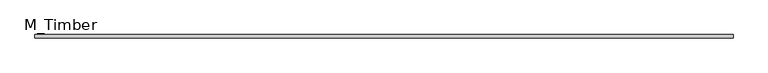
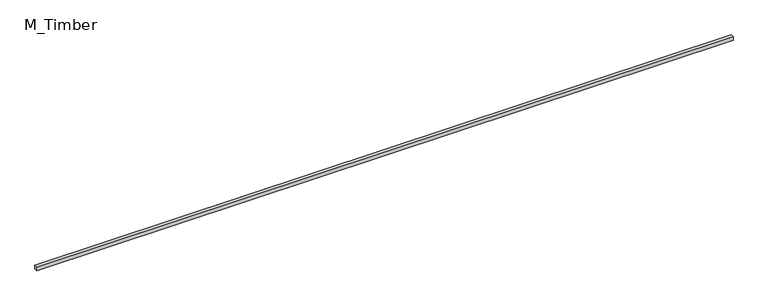
"""IFC4 building model written with IfcOpenShell, lengths in millimetres: beam geometry, M_Timber."""

import ifcopenshell
import ifcopenshell.guid

model = None  # the IFC model being written
_history = None  # IfcOwnerHistory: only IFC2X3 demands one
_inside = {}  # id of a spatial element -> (the spatial element, [elements in it])
_under = {}  # id of a project, library or spatial element -> (it, [spatial elements below it])
_declared = {}  # id of a project -> (the project, [libraries it declares])
_typed = {}  # id of a type object -> (the type object, [elements of that type])
_made_of = {}  # id of a material, layer set ... -> (it, [elements and type objects made of it])


def new_model(schema):
    """Start an empty IFC model of exactly this schema.

    Asked for "IFC4X3", IfcOpenShell would pick the latest addendum, in which some entities
    have other attributes; the version numbers below select the first issue.
    IFC2X3 requires an IfcOwnerHistory on every rooted entity: one is made here for all.
    """
    global model, _history
    if schema == "IFC4X3":
        model = ifcopenshell.file(schema_version=(4, 3, 0, 0))
    else:
        model = ifcopenshell.file(schema=schema)
    _inside.clear()
    _under.clear()
    _declared.clear()
    _typed.clear()
    _made_of.clear()
    _history = None
    if model.schema == "IFC2X3":
        org = make("IfcOrganization", Name="unknown")
        user = make(
            "IfcPersonAndOrganization",
            ThePerson=make("IfcPerson", FamilyName="unknown"),
            TheOrganization=org,
        )
        app = make(
            "IfcApplication",
            ApplicationDeveloper=org,
            Version="unknown",
            ApplicationFullName="unknown",
            ApplicationIdentifier="unknown",
        )
        _history = make(
            "IfcOwnerHistory",
            OwningUser=user,
            OwningApplication=app,
            ChangeAction="ADDED",
            CreationDate=0,
        )
    return model


def make(cls, **values):
    """One entity of the class cls with the attributes given. An attribute that is None is left unset."""
    return model.create_entity(
        cls, **{name: value for name, value in values.items() if value is not None}
    )


def rooted(cls, **values):
    """An entity with a GlobalId (a new one), such as an element, a storey or a relation."""
    return make(cls, GlobalId=ifcopenshell.guid.new(), OwnerHistory=_history, **values)


def si_unit(unit_type, name, prefix=None):
    """IfcSIUnit, for example si_unit("LENGTHUNIT", "METRE", prefix="MILLI")."""
    return make("IfcSIUnit", UnitType=unit_type, Prefix=prefix, Name=name)


def assignment(units):
    """IfcUnitAssignment: the units of a project."""
    return None if units is None else make("IfcUnitAssignment", Units=units)


def point(xyz):
    """IfcCartesianPoint."""
    return None if xyz is None else make("IfcCartesianPoint", Coordinates=xyz)


def direction(xyz):
    """IfcDirection."""
    return None if xyz is None else make("IfcDirection", DirectionRatios=xyz)


def frame(location, z_axis=None, x_axis=None):
    """IfcAxis2Placement3D, a coordinate frame: its origin and axes. An axis left out is left unset."""
    return make(
        "IfcAxis2Placement3D",
        Location=point(location),
        Axis=direction(z_axis),
        RefDirection=direction(x_axis),
    )


def origin():
    """The frame at (0, 0, 0) with its axes left unset."""
    return frame((0.0, 0.0, 0.0))


def place(relative_to, where):
    """IfcLocalPlacement: puts the frame where relative to a parent placement (None: the world)."""
    return make(
        "IfcLocalPlacement", PlacementRelTo=relative_to, RelativePlacement=where
    )


def context(
    kind, dimensions, precision=None, world=None, true_north=None, identifier=None
):
    """IfcGeometricRepresentationContext, for example the 3D "Model" context."""
    return make(
        "IfcGeometricRepresentationContext",
        ContextIdentifier=identifier,
        ContextType=kind,
        CoordinateSpaceDimension=dimensions,
        Precision=precision,
        WorldCoordinateSystem=world,
        TrueNorth=true_north,
    )


def project(units=None, contexts=None):
    """IfcProject with its units and contexts."""
    return rooted(
        "IfcProject",
        Name="project",
        RepresentationContexts=contexts,
        UnitsInContext=assignment(units),
    )


def spatial(cls, under=None, at=None, **own):
    """A site, building, storey or space (cls), placed at a placement, below another one or the project."""
    s = rooted(cls, ObjectPlacement=at, **own)
    if under is not None:
        _under.setdefault(under.id(), (under, []))[1].append(s)
    return s


def polyline(points):
    """IfcPolyline through the points."""
    return make("IfcPolyline", Points=[point(p) for p in points])


def outline(outer, holes=None, kind="AREA"):
    """IfcArbitraryClosedProfileDef: a profile drawn as a closed curve; with holes, ...WithVoids."""
    if holes is None:
        return make("IfcArbitraryClosedProfileDef", ProfileType=kind, OuterCurve=outer)
    return make(
        "IfcArbitraryProfileDefWithVoids",
        ProfileType=kind,
        OuterCurve=outer,
        InnerCurves=holes,
    )


def extrude(swept, where, along, depth):
    """IfcExtrudedAreaSolid: the profile swept, set in the frame where, extruded along a direction by depth."""
    return make(
        "IfcExtrudedAreaSolid",
        SweptArea=swept,
        Position=where,
        ExtrudedDirection=direction(along),
        Depth=depth,
    )


def shape(context_of_items, identifier, shape_type, items):
    """IfcShapeRepresentation: the items that make up one representation, for example the "Body"."""
    return make(
        "IfcShapeRepresentation",
        ContextOfItems=context_of_items,
        RepresentationIdentifier=identifier,
        RepresentationType=shape_type,
        Items=items,
    )


def source(mapping_origin, context_of_items, identifier, shape_type, items):
    """IfcRepresentationMap: a shape defined once, which mapped items show again and again."""
    return make(
        "IfcRepresentationMap",
        MappingOrigin=mapping_origin,
        MappedRepresentation=shape(context_of_items, identifier, shape_type, items),
    )


def transform(
    local_origin,
    x_axis=None,
    y_axis=None,
    z_axis=None,
    scale=None,
    scale2=None,
    scale3=None,
    uniform=True,
):
    """IfcCartesianTransformationOperator3D, or its non-uniform kind. x_axis, y_axis, z_axis: its Axis1, 2, 3."""
    if uniform:
        return make(
            "IfcCartesianTransformationOperator3D",
            Axis1=direction(x_axis),
            Axis2=direction(y_axis),
            LocalOrigin=point(local_origin),
            Scale=scale,
            Axis3=direction(z_axis),
        )
    return make(
        "IfcCartesianTransformationOperator3DnonUniform",
        Axis1=direction(x_axis),
        Axis2=direction(y_axis),
        LocalOrigin=point(local_origin),
        Scale=scale,
        Axis3=direction(z_axis),
        Scale2=scale2,
        Scale3=scale3,
    )


def mapped(mapping_source, mapping_target):
    """IfcMappedItem: shows the shape of a source again, moved by a transform."""
    return make(
        "IfcMappedItem", MappingSource=mapping_source, MappingTarget=mapping_target
    )


def made_of(thing, what):
    """Note that an element or type object is made of a material, layer set ...; save() writes the relation."""
    if what is not None:
        _made_of.setdefault(what.id(), (what, []))[1].append(thing)
    return thing


def element(
    cls,
    number,
    at=None,
    inside=None,
    cuts=None,
    type_object=None,
    material=None,
    context=None,
    identifier="Body",
    shape_type=None,
    held_by="IfcProductDefinitionShape",
    body=None,
    shapes=None,
    **own,
):
    """One element of the class cls, such as IfcWall. Its Tag is "e" and its number.

    at: its placement. inside: the storey or other place that contains it. cuts: it is an
    opening in that element (IfcRelVoidsElement). A single representation is given by context,
    identifier, shape_type and body (its items); several are given by shapes. held_by: the class
    of the entity that holds the representations. save() writes the other relations.
    """
    e = rooted(cls, Tag="e%d" % number, ObjectPlacement=at, **own)
    if body is not None:
        shapes = [shape(context, identifier, shape_type, body)]
    if shapes is not None:
        e.Representation = make(held_by, Representations=shapes)
    if inside is not None:
        _inside.setdefault(inside.id(), (inside, []))[1].append(e)
    if cuts is not None:
        rooted(
            "IfcRelVoidsElement", RelatingBuildingElement=cuts, RelatedOpeningElement=e
        )
    if type_object is not None:
        _typed.setdefault(type_object.id(), (type_object, []))[1].append(e)
    return made_of(e, material)


def aggregate(whole, parts):
    """IfcRelAggregates: a whole, such as a stair, and the parts it consists of."""
    return rooted("IfcRelAggregates", RelatingObject=whole, RelatedObjects=parts)


def save(model, path):
    """Write the relations noted so far, then the file.

    IfcRelAggregates (storeys below a building ...), IfcRelContainedInSpatialStructure (elements
    in a storey), IfcRelDefinesByType, IfcRelAssociatesMaterial and IfcRelDeclares: one each for
    every whole, place, type object, material and project.
    """
    for whole, parts in _under.values():
        aggregate(whole, parts)
    for where, things in _inside.values():
        rooted(
            "IfcRelContainedInSpatialStructure",
            RelatedElements=things,
            RelatingStructure=where,
        )
    for kind, things in _typed.values():
        rooted("IfcRelDefinesByType", RelatedObjects=things, RelatingType=kind)
    for what, things in _made_of.values():
        rooted("IfcRelAssociatesMaterial", RelatedObjects=things, RelatingMaterial=what)
    for by, libraries in _declared.values():
        rooted("IfcRelDeclares", RelatingContext=by, RelatedDefinitions=libraries)
    model.write(path)


def m_timber_c00dda28(model_context):
    return source(origin(), model_context, "Body", "SweptSolid", [
        extrude(outline(polyline([(3938.7449508, 20.0), (3938.7449508, -20.0), (-3938.7449508, -20.0), (-3938.7449508, 20.0), (3938.7449508, 20.0)])), frame((0.0, 0.0, -20.0), z_axis=(0.0, 0.0, 1.0), x_axis=(1.0, 0.0, 0.0)), (0.0, 0.0, 1.0), 40.0),
    ])


if __name__ == "__main__":
    model = new_model("IFC4")
    model_context = context("Model", 3, world=origin())
    ifc_project = project(units=[si_unit("LENGTHUNIT", "METRE", prefix="MILLI")], contexts=[model_context])
    site = spatial("IfcSite", under=ifc_project)
    building = spatial("IfcBuilding", under=site)
    placement = place(None, origin())
    m_timber_shape = m_timber_c00dda28(model_context)
    element("IfcBeam", 1, ObjectType="M_Timber", at=placement, inside=building, context=model_context, shape_type="MappedRepresentation", body=[
        mapped(m_timber_shape, transform((0.0, 0.0, 0.0), x_axis=(1.0, 0.0, 0.0), y_axis=(0.0, 1.0, 0.0), z_axis=(0.0, 0.0, 1.0))),
    ])
    save(model, "model.ifc")
